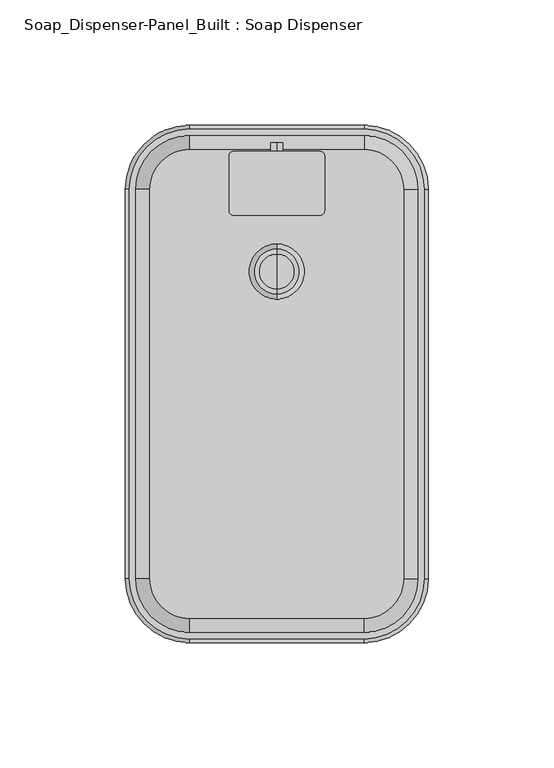
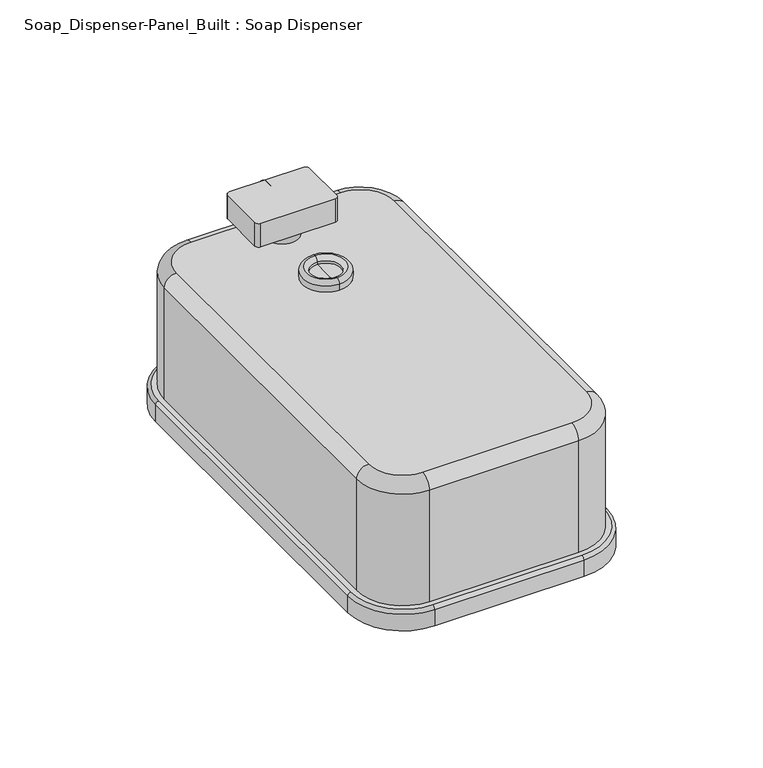
"""IFC4 building model written with IfcOpenShell, lengths in millimetres: proxy geometry, Soap_Dispenser-Panel_Built : Soap Dispenser."""

from ifc_helpers import new_model, si_unit, point, frame, frame_2d, origin, place, context, project, spatial, polyline, circle_curve, ellipse_curve, trimmed, segment, composite_curve, outline, extrude, source, transform, mapped, element, save
from ifc_brep_helpers import plane_surface, cylinder_surface, revolved_surface, advanced_brep


def soap_dispenser_panel_built_soap_dispenser_63fff4ed(model_context):
    return source(origin(), model_context, "Body", "SolidModel", [
        advanced_brep(
        [(-60.4754509, -77.6440967, 8.0747906), (-60.4754509, -77.6440967, 0.0), (-34.8568222, -103.2627255, 0.0), (-34.8568222, -103.2627255, 8.0747906), (-34.8568222, -101.8081073, 9.5294087), (-59.0208328, -77.6440967, 9.5294087), (-56.35625, -77.6440967, 64.3342642), (-56.35625, -77.6440967, 9.5294087), (-34.8568222, -99.1435245, 9.5294087), (-34.8568222, -99.1435245, 64.3342642), (-34.8568222, -93.6277887, 69.85), (-50.8405142, -77.6440967, 69.85), (-60.4754509, 77.6440967, 8.0747906), (-60.4754509, 77.6440967, 0.0), (-59.0208328, 77.6440967, 9.5294087), (-56.35625, 77.6440967, 64.3342642), (-56.35625, 77.6440967, 9.5294087), (-50.8405142, 77.6440967, 69.85), (-34.8568222, 103.2627255, 8.0747906), (-34.8568222, 103.2627255, 0.0), (-34.8568222, 101.8081073, 9.5294087), (-34.8568222, 99.1435245, 64.3342642), (-34.8568222, 99.1435245, 9.5294087), (-34.8568222, 93.6277887, 69.85), (34.8568222, 103.2627255, 8.0747906), (34.8568222, 103.2627255, 0.0), (34.8568222, 101.8081073, 9.5294087), (34.8568222, 99.1435245, 64.3342642), (34.8568222, 99.1435245, 9.5294087), (34.8568222, 93.6277887, 69.85), (60.4754509, 77.6440967, 8.0747906), (60.4754509, 77.6440967, 0.0), (59.0208328, 77.6440967, 9.5294087), (56.35625, 77.6440967, 64.3342642), (56.35625, 77.6440967, 9.5294087), (50.8405142, 77.6440967, 69.85), (60.4754509, -77.6440967, 8.0747906), (60.4754509, -77.6440967, 0.0), (59.0208328, -77.6440967, 9.5294087), (56.35625, -77.6440967, 64.3342642), (56.35625, -77.6440967, 9.5294087), (50.8405142, -77.6440967, 69.85), (34.8568222, -103.2627255, 8.0747906), (34.8568222, -103.2627255, 0.0), (34.8568222, -101.8081073, 9.5294087), (34.8568222, -99.1435245, 64.3342642), (34.8568222, -99.1435245, 9.5294087), (34.8568222, -93.6277887, 69.85)],
        [
            (0, 1),
            (1, 2, circle_curve(frame((-34.8568222, -77.6440967, 0.0), z_axis=(0.0, 0.0, 1.0), x_axis=(0.0, -1.0, 0.0)), 25.6186288)),
            (2, 3),
            (3, 0, circle_curve(frame((-34.8568222, -77.6440967, 8.0747906), z_axis=(0.0, 0.0, -1.0), x_axis=(0.0, -1.0, 0.0)), 25.6186288)),
            (3, 4, circle_curve(frame((-34.8568222, -101.8081073, 8.0747906), z_axis=(-1.0, 0.0, 0.0), x_axis=(0.0, 0.0, -1.0)), 1.4546182)),
            (4, 5, circle_curve(frame((-34.8568222, -77.6440967, 9.5294087), z_axis=(0.0, 0.0, -1.0), x_axis=(0.0, -1.0, 0.0)), 24.1640106)),
            (5, 0, circle_curve(frame((-59.0208328, -77.6440967, 8.0747906), z_axis=(0.0, -1.0, 0.0), x_axis=(0.0, 0.0, -1.0)), 1.4546182)),
            (6, 7),
            (7, 8, circle_curve(frame((-34.8568222, -77.6440967, 9.5294087), z_axis=(0.0, 0.0, 1.0), x_axis=(0.0, -1.0, 0.0)), 21.4994278)),
            (8, 9),
            (9, 6, circle_curve(frame((-34.8568222, -77.6440967, 64.3342642), z_axis=(0.0, 0.0, -1.0), x_axis=(0.0, -1.0, 0.0)), 21.4994278)),
            (9, 10, circle_curve(frame((-34.8568222, -93.6277887, 64.3342642), z_axis=(-1.0, 0.0, 0.0), x_axis=(0.0, 0.0, -1.0)), 5.5157358)),
            (10, 11, circle_curve(frame((-34.8568222, -77.6440967, 69.85), z_axis=(0.0, 0.0, -1.0), x_axis=(0.0, -1.0, 0.0)), 15.983692)),
            (11, 6, circle_curve(frame((-50.8405142, -77.6440967, 64.3342642), z_axis=(0.0, -1.0, 0.0), x_axis=(0.0, 0.0, -1.0)), 5.5157358)),
            (0, 12),
            (12, 13),
            (13, 1),
            (5, 14),
            (14, 12, circle_curve(frame((-59.0208328, 77.6440967, 8.0747906), z_axis=(0.0, -1.0, 0.0), x_axis=(0.0, 0.0, -1.0)), 1.4546182)),
            (6, 15),
            (15, 16),
            (16, 7),
            (11, 17),
            (17, 15, circle_curve(frame((-50.8405142, 77.6440967, 64.3342642), z_axis=(0.0, -1.0, 0.0), x_axis=(0.0, 0.0, -1.0)), 5.5157358)),
            (12, 18, circle_curve(frame((-34.8568222, 77.6440967, 8.0747906), z_axis=(0.0, 0.0, -1.0), x_axis=(-1.0, 0.0, 0.0)), 25.6186288)),
            (18, 19),
            (19, 13, circle_curve(frame((-34.8568222, 77.6440967, 0.0), z_axis=(0.0, 0.0, 1.0), x_axis=(-1.0, 0.0, 0.0)), 25.6186288)),
            (14, 20, circle_curve(frame((-34.8568222, 77.6440967, 9.5294087), z_axis=(0.0, 0.0, -1.0), x_axis=(-1.0, 0.0, 0.0)), 24.1640106)),
            (20, 18, circle_curve(frame((-34.8568222, 101.8081073, 8.0747906), z_axis=(-1.0, 0.0, 0.0), x_axis=(0.0, 0.0, -1.0)), 1.4546182)),
            (15, 21, circle_curve(frame((-34.8568222, 77.6440967, 64.3342642), z_axis=(0.0, 0.0, -1.0), x_axis=(-1.0, 0.0, 0.0)), 21.4994278)),
            (21, 22),
            (22, 16, circle_curve(frame((-34.8568222, 77.6440967, 9.5294087), z_axis=(0.0, 0.0, 1.0), x_axis=(-1.0, 0.0, 0.0)), 21.4994278)),
            (17, 23, circle_curve(frame((-34.8568222, 77.6440967, 69.85), z_axis=(0.0, 0.0, -1.0), x_axis=(-1.0, 0.0, 0.0)), 15.983692)),
            (23, 21, circle_curve(frame((-34.8568222, 93.6277887, 64.3342642), z_axis=(-1.0, 0.0, 0.0), x_axis=(0.0, 0.0, -1.0)), 5.5157358)),
            (18, 24),
            (24, 25),
            (25, 19),
            (20, 26),
            (26, 24, circle_curve(frame((34.8568222, 101.8081073, 8.0747906), z_axis=(-1.0, 0.0, 0.0), x_axis=(0.0, 0.0, -1.0)), 1.4546182)),
            (21, 27),
            (27, 28),
            (28, 22),
            (23, 29),
            (29, 27, circle_curve(frame((34.8568222, 93.6277887, 64.3342642), z_axis=(-1.0, 0.0, 0.0), x_axis=(0.0, 0.0, -1.0)), 5.5157358)),
            (24, 30, circle_curve(frame((34.8568222, 77.6440967, 8.0747906), z_axis=(0.0, 0.0, -1.0), x_axis=(0.0, 1.0, 0.0)), 25.6186288)),
            (30, 31),
            (31, 25, circle_curve(frame((34.8568222, 77.6440967, 0.0), z_axis=(0.0, 0.0, 1.0), x_axis=(0.0, 1.0, 0.0)), 25.6186288)),
            (26, 32, circle_curve(frame((34.8568222, 77.6440967, 9.5294087), z_axis=(0.0, 0.0, -1.0), x_axis=(0.0, 1.0, 0.0)), 24.1640106)),
            (32, 30, circle_curve(frame((59.0208328, 77.6440967, 8.0747906), z_axis=(0.0, 1.0, 0.0), x_axis=(0.0, 0.0, -1.0)), 1.4546182)),
            (27, 33, circle_curve(frame((34.8568222, 77.6440967, 64.3342642), z_axis=(0.0, 0.0, -1.0), x_axis=(0.0, 1.0, 0.0)), 21.4994278)),
            (33, 34),
            (34, 28, circle_curve(frame((34.8568222, 77.6440967, 9.5294087), z_axis=(0.0, 0.0, 1.0), x_axis=(0.0, 1.0, 0.0)), 21.4994278)),
            (29, 35, circle_curve(frame((34.8568222, 77.6440967, 69.85), z_axis=(0.0, 0.0, -1.0), x_axis=(0.0, 1.0, 0.0)), 15.983692)),
            (35, 33, circle_curve(frame((50.8405142, 77.6440967, 64.3342642), z_axis=(0.0, 1.0, 0.0), x_axis=(0.0, 0.0, -1.0)), 5.5157358)),
            (30, 36),
            (36, 37),
            (37, 31),
            (32, 38),
            (38, 36, circle_curve(frame((59.0208328, -77.6440967, 8.0747906), z_axis=(0.0, 1.0, 0.0), x_axis=(0.0, 0.0, -1.0)), 1.4546182)),
            (33, 39),
            (39, 40),
            (40, 34),
            (35, 41),
            (41, 39, circle_curve(frame((50.8405142, -77.6440967, 64.3342642), z_axis=(0.0, 1.0, 0.0), x_axis=(0.0, 0.0, -1.0)), 5.5157358)),
            (36, 42, circle_curve(frame((34.8568222, -77.6440967, 8.0747906), z_axis=(0.0, 0.0, -1.0), x_axis=(1.0, 0.0, 0.0)), 25.6186288)),
            (42, 43),
            (43, 37, circle_curve(frame((34.8568222, -77.6440967, 0.0), z_axis=(0.0, 0.0, 1.0), x_axis=(1.0, 0.0, 0.0)), 25.6186288)),
            (38, 44, circle_curve(frame((34.8568222, -77.6440967, 9.5294087), z_axis=(0.0, 0.0, -1.0), x_axis=(1.0, 0.0, 0.0)), 24.1640106)),
            (44, 42, circle_curve(frame((34.8568222, -101.8081073, 8.0747906), z_axis=(1.0, 0.0, 0.0), x_axis=(0.0, 0.0, -1.0)), 1.4546182)),
            (39, 45, circle_curve(frame((34.8568222, -77.6440967, 64.3342642), z_axis=(0.0, 0.0, -1.0), x_axis=(1.0, 0.0, 0.0)), 21.4994278)),
            (45, 46),
            (46, 40, circle_curve(frame((34.8568222, -77.6440967, 9.5294087), z_axis=(0.0, 0.0, 1.0), x_axis=(1.0, 0.0, 0.0)), 21.4994278)),
            (41, 47, circle_curve(frame((34.8568222, -77.6440967, 69.85), z_axis=(0.0, 0.0, -1.0), x_axis=(1.0, 0.0, 0.0)), 15.983692)),
            (47, 45, circle_curve(frame((34.8568222, -93.6277887, 64.3342642), z_axis=(1.0, 0.0, 0.0), x_axis=(0.0, 0.0, -1.0)), 5.5157358)),
            (43, 2),
            (42, 3),
            (44, 4),
            (46, 8),
            (45, 9),
            (47, 10),
        ],
        [
            cylinder_surface(frame((-34.8568222, -77.6440967, 0.0), z_axis=(0.0, 0.0, 1.0), x_axis=(0.0, -1.0, 0.0)), 25.6186288),
            revolved_surface(trimmed(ellipse_curve(frame((-34.8568222, -101.8081073, 8.0747906), z_axis=(-1.0, 0.0, 0.0), x_axis=(0.0, 0.0, -1.0)), 1.4546182, 1.4546182), [point((-34.8568222, -103.2627255, 8.0747906))], [point((-34.8568222, -101.8081073, 9.5294087))], True, "CARTESIAN"), (-34.8568222, -77.6440967, 0.0), (0.0, 0.0, 1.0)),
            cylinder_surface(frame((-34.8568222, -77.6440967, 0.0), z_axis=(0.0, 0.0, 1.0), x_axis=(0.0, -1.0, 0.0)), 21.4994278),
            revolved_surface(trimmed(ellipse_curve(frame((-34.8568222, -93.6277887, 64.3342642), z_axis=(-1.0, 0.0, 0.0), x_axis=(0.0, 0.0, -1.0)), 5.5157358, 5.5157358), [point((-34.8568222, -99.1435245, 64.3342642))], [point((-34.8568222, -93.6277887, 69.85))], True, "CARTESIAN"), (-34.8568222, -77.6440967, 0.0), (0.0, 0.0, 1.0)),
            plane_surface(frame((-60.4754509, -77.6440967, 0.0), z_axis=(-1.0, 0.0, 0.0), x_axis=(0.0, 1.0, 0.0))),
            cylinder_surface(frame((-59.0208328, -77.6440967, 8.0747906), z_axis=(0.0, -1.0, 0.0), x_axis=(0.0, 0.0, -1.0)), 1.4546182),
            plane_surface(frame((-56.35625, -77.6440967, 9.5294087), z_axis=(-1.0, 0.0, 0.0), x_axis=(0.0, 1.0, 0.0))),
            cylinder_surface(frame((-50.8405142, -77.6440967, 64.3342642), z_axis=(0.0, -1.0, 0.0), x_axis=(0.0, 0.0, -1.0)), 5.5157358),
            cylinder_surface(frame((-34.8568222, 77.6440967, 0.0), z_axis=(0.0, 0.0, 1.0), x_axis=(-1.0, 0.0, 0.0)), 25.6186288),
            revolved_surface(trimmed(ellipse_curve(frame((-59.0208328, 77.6440967, 8.0747906), z_axis=(0.0, 1.0, 0.0), x_axis=(0.0, 0.0, -1.0)), 1.4546182, 1.4546182), [point((-60.4754509, 77.6440967, 8.0747906))], [point((-59.0208328, 77.6440967, 9.5294087))], True, "CARTESIAN"), (-34.8568222, 77.6440967, 0.0), (0.0, 0.0, 1.0)),
            cylinder_surface(frame((-34.8568222, 77.6440967, 0.0), z_axis=(0.0, 0.0, 1.0), x_axis=(-1.0, 0.0, 0.0)), 21.4994278),
            revolved_surface(trimmed(ellipse_curve(frame((-50.8405142, 77.6440967, 64.3342642), z_axis=(0.0, 1.0, 0.0), x_axis=(0.0, 0.0, -1.0)), 5.5157358, 5.5157358), [point((-56.35625, 77.6440967, 64.3342642))], [point((-50.8405142, 77.6440967, 69.85))], True, "CARTESIAN"), (-34.8568222, 77.6440967, 0.0), (0.0, 0.0, 1.0)),
            plane_surface(frame((-34.8568222, 103.2627255, 0.0), z_axis=(0.0, 1.0, 0.0), x_axis=(1.0, 0.0, 0.0))),
            cylinder_surface(frame((-34.8568222, 101.8081073, 8.0747906), z_axis=(-1.0, 0.0, 0.0), x_axis=(0.0, 0.0, -1.0)), 1.4546182),
            plane_surface(frame((-34.8568222, 99.1435245, 9.5294087), z_axis=(0.0, 1.0, 0.0), x_axis=(1.0, 0.0, 0.0))),
            cylinder_surface(frame((-34.8568222, 93.6277887, 64.3342642), z_axis=(-1.0, 0.0, 0.0), x_axis=(0.0, 0.0, -1.0)), 5.5157358),
            cylinder_surface(frame((34.8568222, 77.6440967, 0.0), z_axis=(0.0, 0.0, 1.0), x_axis=(0.0, 1.0, 0.0)), 25.6186288),
            revolved_surface(trimmed(ellipse_curve(frame((34.8568222, 101.8081073, 8.0747906), z_axis=(1.0, 0.0, 0.0), x_axis=(0.0, 0.0, -1.0)), 1.4546182, 1.4546182), [point((34.8568222, 103.2627255, 8.0747906))], [point((34.8568222, 101.8081073, 9.5294087))], True, "CARTESIAN"), (34.8568222, 77.6440967, 0.0), (0.0, 0.0, 1.0)),
            cylinder_surface(frame((34.8568222, 77.6440967, 0.0), z_axis=(0.0, 0.0, 1.0), x_axis=(0.0, 1.0, 0.0)), 21.4994278),
            revolved_surface(trimmed(ellipse_curve(frame((34.8568222, 93.6277887, 64.3342642), z_axis=(1.0, 0.0, 0.0), x_axis=(0.0, 0.0, -1.0)), 5.5157358, 5.5157358), [point((34.8568222, 99.1435245, 64.3342642))], [point((34.8568222, 93.6277887, 69.85))], True, "CARTESIAN"), (34.8568222, 77.6440967, 0.0), (0.0, 0.0, 1.0)),
            plane_surface(frame((60.4754509, 77.6440967, 0.0), z_axis=(1.0, 0.0, 0.0), x_axis=(0.0, -1.0, 0.0))),
            cylinder_surface(frame((59.0208328, 77.6440967, 8.0747906), z_axis=(0.0, 1.0, 0.0), x_axis=(0.0, 0.0, -1.0)), 1.4546182),
            plane_surface(frame((56.35625, 77.6440967, 9.5294087), z_axis=(1.0, 0.0, 0.0), x_axis=(0.0, -1.0, 0.0))),
            cylinder_surface(frame((50.8405142, 77.6440967, 64.3342642), z_axis=(0.0, 1.0, 0.0), x_axis=(0.0, 0.0, -1.0)), 5.5157358),
            cylinder_surface(frame((34.8568222, -77.6440967, 0.0), z_axis=(0.0, 0.0, 1.0), x_axis=(1.0, 0.0, 0.0)), 25.6186288),
            revolved_surface(trimmed(ellipse_curve(frame((59.0208328, -77.6440967, 8.0747906), z_axis=(0.0, -1.0, 0.0), x_axis=(0.0, 0.0, -1.0)), 1.4546182, 1.4546182), [point((60.4754509, -77.6440967, 8.0747906))], [point((59.0208328, -77.6440967, 9.5294087))], True, "CARTESIAN"), (34.8568222, -77.6440967, 0.0), (0.0, 0.0, 1.0)),
            cylinder_surface(frame((34.8568222, -77.6440967, 0.0), z_axis=(0.0, 0.0, 1.0), x_axis=(1.0, 0.0, 0.0)), 21.4994278),
            revolved_surface(trimmed(ellipse_curve(frame((50.8405142, -77.6440967, 64.3342642), z_axis=(0.0, -1.0, 0.0), x_axis=(0.0, 0.0, -1.0)), 5.5157358, 5.5157358), [point((56.35625, -77.6440967, 64.3342642))], [point((50.8405142, -77.6440967, 69.85))], True, "CARTESIAN"), (34.8568222, -77.6440967, 0.0), (0.0, 0.0, 1.0)),
            plane_surface(frame((34.8568222, -92.7935245, 0.0), z_axis=(0.0, 0.0, -1.0), x_axis=(-1.0, 0.0, 0.0))),
            plane_surface(frame((34.8568222, -103.2627255, 0.0), z_axis=(0.0, -1.0, 0.0), x_axis=(-1.0, 0.0, 0.0))),
            cylinder_surface(frame((34.8568222, -101.8081073, 8.0747906), z_axis=(1.0, 0.0, 0.0), x_axis=(0.0, 0.0, -1.0)), 1.4546182),
            plane_surface(frame((34.8568222, -101.8081073, 9.5294087), z_axis=(0.0, 0.0, 1.0), x_axis=(-1.0, 0.0, 0.0))),
            plane_surface(frame((34.8568222, -99.1435245, 9.5294087), z_axis=(0.0, -1.0, 0.0), x_axis=(-1.0, 0.0, 0.0))),
            cylinder_surface(frame((34.8568222, -93.6277887, 64.3342642), z_axis=(1.0, 0.0, 0.0), x_axis=(0.0, 0.0, -1.0)), 5.5157358),
            plane_surface(frame((34.8568222, -93.6277887, 69.85), z_axis=(0.0, 0.0, 1.0), x_axis=(-1.0, 0.0, 0.0))),
        ],
        [
            (0, [[1, 2, 3, 4]]),
            (1, [[5, 6, 7, -4]]),
            (2, [[8, 9, 10, 11]]),
            (3, [[12, 13, 14, -11]]),
            (4, [[15, 16, 17, -1]]),
            (5, [[18, 19, -15, -7]]),
            (6, [[20, 21, 22, -8]]),
            (7, [[23, 24, -20, -14]]),
            (8, [[25, 26, 27, -16]]),
            (9, [[28, 29, -25, -19]]),
            (10, [[30, 31, 32, -21]]),
            (11, [[33, 34, -30, -24]]),
            (12, [[35, 36, 37, -26]]),
            (13, [[38, 39, -35, -29]]),
            (14, [[40, 41, 42, -31]]),
            (15, [[43, 44, -40, -34]]),
            (16, [[45, 46, 47, -36]]),
            (17, [[48, 49, -45, -39]]),
            (18, [[50, 51, 52, -41]]),
            (19, [[53, 54, -50, -44]]),
            (20, [[55, 56, 57, -46]]),
            (21, [[58, 59, -55, -49]]),
            (22, [[60, 61, 62, -51]]),
            (23, [[63, 64, -60, -54]]),
            (24, [[65, 66, 67, -56]]),
            (25, [[68, 69, -65, -59]]),
            (26, [[70, 71, 72, -61]]),
            (27, [[73, 74, -70, -64]]),
            (28, [[-17, -27, -37, -47, -57, -67, 75, -2]]),
            (29, [[-75, -66, 76, -3]]),
            (30, [[-76, -69, 77, -5]]),
            (31, [[-77, -68, -58, -48, -38, -28, -18, -6], [-22, -32, -42, -52, -62, -72, 78, -9]]),
            (32, [[-78, -71, 79, -10]]),
            (33, [[-79, -74, 80, -12]]),
            (34, [[-80, -73, -63, -53, -43, -33, -23, -13]]),
        ],
    ),
        advanced_brep(
        [(0.0, 55.8434918, 69.85), (0.0, 44.8628844, 69.85), (0.0, 33.882277, 69.85), (0.0, 55.8434918, 73.1358056), (0.0, 33.882277, 73.1358056), (0.0, 53.8990092, 75.0802882), (0.0, 35.8267596, 75.0802882), (0.0, 51.9545267, 73.1358056), (0.0, 37.7712421, 73.1358056), (0.0, 51.9545267, 71.8717211), (0.0, 37.7712421, 71.8717211), (0.0, 44.8628844, 71.8717211)],
        [
            (0, 1),
            (1, 2),
            (2, 0, circle_curve(frame((0.0, 44.8628844, 69.85), z_axis=(0.0, 0.0, -1.0), x_axis=(0.0, -1.0, 0.0)), 10.9806074)),
            (0, 2, circle_curve(frame((0.0, 44.8628844, 69.85), z_axis=(0.0, 0.0, -1.0), x_axis=(0.0, -1.0, 0.0)), 10.9806074)),
            (3, 0),
            (2, 4),
            (4, 3, circle_curve(frame((0.0, 44.8628844, 73.1358056), z_axis=(0.0, 0.0, -1.0), x_axis=(0.0, -1.0, 0.0)), 10.9806074)),
            (3, 4, circle_curve(frame((0.0, 44.8628844, 73.1358056), z_axis=(0.0, 0.0, -1.0), x_axis=(0.0, -1.0, 0.0)), 10.9806074)),
            (5, 3, circle_curve(frame((0.0, 53.8990092, 73.1358056), z_axis=(-1.0, 0.0, 0.0), x_axis=(0.0, 0.0, -1.0)), 1.9444826)),
            (4, 6, circle_curve(frame((0.0, 35.8267596, 73.1358056), z_axis=(-1.0, 0.0, 0.0), x_axis=(0.0, 0.0, -1.0)), 1.9444826)),
            (6, 5, circle_curve(frame((0.0, 44.8628844, 75.0802882), z_axis=(0.0, 0.0, -1.0), x_axis=(0.0, -1.0, 0.0)), 9.0361248)),
            (5, 6, circle_curve(frame((0.0, 44.8628844, 75.0802882), z_axis=(0.0, 0.0, -1.0), x_axis=(0.0, -1.0, 0.0)), 9.0361248)),
            (7, 5, circle_curve(frame((0.0, 53.8990092, 73.1358056), z_axis=(-1.0, 0.0, 0.0), x_axis=(0.0, 0.0, -1.0)), 1.9444826)),
            (6, 8, circle_curve(frame((0.0, 35.8267596, 73.1358056), z_axis=(-1.0, 0.0, 0.0), x_axis=(0.0, 0.0, -1.0)), 1.9444826)),
            (8, 7, circle_curve(frame((0.0, 44.8628844, 73.1358056), z_axis=(0.0, 0.0, -1.0), x_axis=(0.0, -1.0, 0.0)), 7.0916423)),
            (7, 8, circle_curve(frame((0.0, 44.8628844, 73.1358056), z_axis=(0.0, 0.0, -1.0), x_axis=(0.0, -1.0, 0.0)), 7.0916423)),
            (9, 7),
            (8, 10),
            (10, 9, circle_curve(frame((0.0, 44.8628844, 71.8717211), z_axis=(0.0, 0.0, -1.0), x_axis=(0.0, -1.0, 0.0)), 7.0916423)),
            (9, 10, circle_curve(frame((0.0, 44.8628844, 71.8717211), z_axis=(0.0, 0.0, -1.0), x_axis=(0.0, -1.0, 0.0)), 7.0916423)),
            (11, 9),
            (10, 11),
        ],
        [
            plane_surface(frame((0.0, 44.8628844, 69.85), z_axis=(0.0, 0.0, -1.0), x_axis=(0.0, -1.0, 0.0))),
            cylinder_surface(frame((0.0, 44.8628844, 69.85), z_axis=(0.0, 0.0, 1.0), x_axis=(0.0, -1.0, 0.0)), 10.9806074),
            revolved_surface(trimmed(ellipse_curve(frame((0.0, 35.8267596, 73.1358056), z_axis=(-1.0, 0.0, 0.0), x_axis=(0.0, 0.0, -1.0)), 1.9444826, 1.9444826), [point((0.0, 33.882277, 73.1358056))], [point((0.0, 35.8267596, 75.0802882))], True, "CARTESIAN"), (0.0, 44.8628844, 69.85), (0.0, 0.0, 1.0)),
            revolved_surface(trimmed(ellipse_curve(frame((0.0, 35.8267596, 73.1358056), z_axis=(-1.0, 0.0, 0.0), x_axis=(0.0, 0.0, -1.0)), 1.9444826, 1.9444826), [point((0.0, 35.8267596, 75.0802882))], [point((0.0, 37.7712421, 73.1358056))], True, "CARTESIAN"), (0.0, 44.8628844, 69.85), (0.0, 0.0, 1.0)),
            revolved_surface(polyline([(0.0, 37.771242099999995, 73.1358056), (0.0, 37.771242099999995, 71.8717211)]), (0.0, 44.8628844, 69.85), (0.0, 0.0, 1.0)),
            plane_surface(frame((0.0, 44.8628844, 71.8717211), z_axis=(0.0, 0.0, 1.0), x_axis=(0.0, -1.0, 0.0))),
        ],
        [
            (0, [[1, 2, 3]]),
            (0, [[-2, -1, 4]]),
            (1, [[5, -3, 6, 7]]),
            (1, [[-6, -4, -5, 8]]),
            (2, [[9, -7, 10, 11]]),
            (2, [[-10, -8, -9, 12]]),
            (3, [[13, -11, 14, 15]]),
            (3, [[-14, -12, -13, 16]]),
            (4, [[17, -15, 18, 19]]),
            (4, [[-18, -16, -17, 20]]),
            (5, [[21, -19, 22]]),
            (5, [[-22, -20, -21]]),
        ],
    ),
        advanced_brep(
        [(0.0, 96.2409339, 86.413398), (0.0, 96.2409339, 84.0590738), (0.0, 96.2409339, 81.7047495), (0.0, 92.7935245, 86.413398), (0.0, 92.7935245, 81.7047495), (0.0, 92.7935245, 84.0590738)],
        [
            (0, 1),
            (1, 2),
            (2, 0, circle_curve(frame((0.0, 96.2409339, 84.0590738), z_axis=(0.0, 1.0, 0.0), x_axis=(0.0, 0.0, -1.0)), 2.3543242)),
            (0, 2, circle_curve(frame((0.0, 96.2409339, 84.0590738), z_axis=(0.0, 1.0, 0.0), x_axis=(0.0, 0.0, -1.0)), 2.3543242)),
            (3, 0),
            (2, 4),
            (4, 3, circle_curve(frame((0.0, 92.7935245, 84.0590738), z_axis=(0.0, 1.0, 0.0), x_axis=(0.0, 0.0, -1.0)), 2.3543242)),
            (3, 4, circle_curve(frame((0.0, 92.7935245, 84.0590738), z_axis=(0.0, 1.0, 0.0), x_axis=(0.0, 0.0, -1.0)), 2.3543242)),
            (5, 3),
            (4, 5),
        ],
        [
            plane_surface(frame((0.0, 96.2409339, 84.0590738), z_axis=(0.0, 1.0, 0.0), x_axis=(0.0, 0.0, -1.0))),
            cylinder_surface(frame((0.0, 92.7935245, 84.0590738), z_axis=(0.0, -1.0, 0.0), x_axis=(0.0, 0.0, -1.0)), 2.3543242),
            plane_surface(frame((0.0, 92.7935245, 84.0590738), z_axis=(0.0, -1.0, 0.0), x_axis=(0.0, 0.0, -1.0))),
        ],
        [
            (0, [[1, 2, 3]]),
            (0, [[-2, -1, 4]]),
            (1, [[5, -3, 6, 7]]),
            (1, [[-6, -4, -5, 8]]),
            (2, [[9, -7, 10]]),
            (2, [[-10, -8, -9]]),
        ],
    ),
        extrude(outline(composite_curve([segment(trimmed(circle_curve(frame_2d((0.0, 80.0935245)), 7.6230384), [point((-7.6230384, 80.0935245))], [point((7.6230384, 80.0935245))], False, "CARTESIAN"), True, "CONTINUOUS"), segment(trimmed(circle_curve(frame_2d((0.0, 80.0935245)), 7.6230384), [point((7.6230384, 80.0935245))], [point((-7.6230384, 80.0935245))], False, "CARTESIAN"), True, "CONTINUOUS")], self_intersect=False)), frame((0.0, 0.0, 69.85), z_axis=(0.0, 0.0, 1.0), x_axis=(1.0, 0.0, 0.0)), (0.0, 0.0, 1.0), 7.3899615),
        extrude(outline(composite_curve([segment(polyline([(17.3502943, 67.3935245), (-17.3502943, 67.3935245)]), True, "CONTINUOUS"), segment(trimmed(circle_curve(frame_2d((-17.3502943, 69.0932303)), 1.6997057), [point((-17.3502943, 67.3935245))], [point((-19.05, 69.0932303))], False, "CARTESIAN"), True, "CONTINUOUS"), segment(polyline([(-19.05, 69.0932303), (-19.05, 91.0938188)]), True, "CONTINUOUS"), segment(trimmed(circle_curve(frame_2d((-17.3502943, 91.0938188)), 1.6997057), [point((-19.05, 91.0938188))], [point((-17.3502943, 92.7935245))], False, "CARTESIAN"), True, "CONTINUOUS"), segment(polyline([(-17.3502943, 92.7935245), (17.3502943, 92.7935245)]), True, "CONTINUOUS"), segment(trimmed(circle_curve(frame_2d((17.3502943, 91.0938188)), 1.6997057), [point((17.3502943, 92.7935245))], [point((19.05, 91.0938188))], False, "CARTESIAN"), True, "CONTINUOUS"), segment(polyline([(19.05, 91.0938188), (19.05, 69.0932303)]), True, "CONTINUOUS"), segment(trimmed(circle_curve(frame_2d((17.3502943, 69.0932303)), 1.6997057), [point((19.05, 69.0932303))], [point((17.3502943, 67.3935245))], False, "CARTESIAN"), True, "CONTINUOUS")], self_intersect=False)), frame((0.0, 0.0, 77.2399615), z_axis=(0.0, 0.0, 1.0), x_axis=(1.0, 0.0, 0.0)), (0.0, 0.0, 1.0), 11.6600385),
    ])


if __name__ == "__main__":
    model = new_model("IFC4")
    model_context = context("Model", 3, world=origin())
    ifc_project = project(units=[si_unit("LENGTHUNIT", "METRE", prefix="MILLI")], contexts=[model_context])
    site = spatial("IfcSite", under=ifc_project)
    building = spatial("IfcBuilding", under=site)
    placement = place(None, origin())
    soap_dispenser_panel_built_soap_dispenser_shape = soap_dispenser_panel_built_soap_dispenser_63fff4ed(model_context)
    element("IfcBuildingElementProxy", 1, Name="Soap_Dispenser-Panel_Built : Soap Dispenser", ObjectType="Soap_Dispenser-Panel_Built : Soap Dispenser", at=placement, inside=building, context=model_context, shape_type="MappedRepresentation", body=[
        mapped(soap_dispenser_panel_built_soap_dispenser_shape, transform((0.0, 0.0, 0.0), x_axis=(1.0, 0.0, 0.0), y_axis=(0.0, 1.0, 0.0), z_axis=(0.0, 0.0, 1.0))),
    ])
    save(model, "model.ifc")
